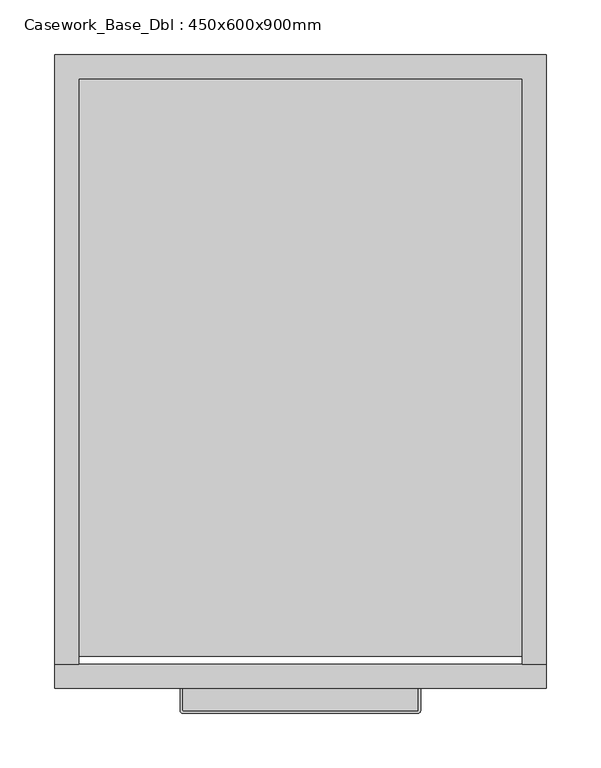
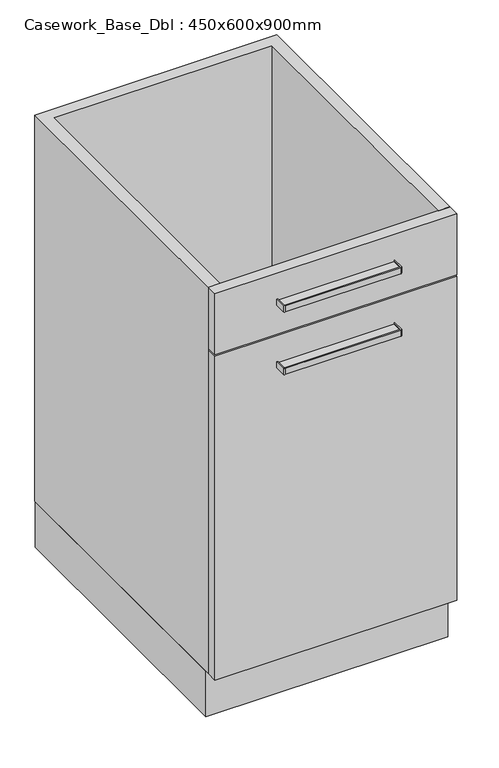
"""IFC4 building model written with IfcOpenShell, lengths in millimetres: furniture geometry, Casework_Base_Dbl : 450x600x900mm."""

from ifc_helpers import new_model, si_unit, point, frame, frame_2d, origin, origin_with_axes, place, context, project, spatial, polyline, circle_curve, trimmed, segment, composite_curve, outline, extrude, source, transform, mapped, element, save


def casework_base_dbl_450x600x900mm_e160b338(model_context):
    return source(origin(), model_context, "Body", "SweptSolid", [
        extrude(outline(composite_curve([segment(polyline([(-63.2996736, -580.0), (152.7003264, -580.0), (152.7003264, -600.5)]), True, "CONTINUOUS"), segment(trimmed(circle_curve(frame_2d((152.2003264, -600.5)), 0.5), [point((152.7003264, -600.5))], [point((152.2003264, -601.0))], False, "CARTESIAN"), True, "CONTINUOUS"), segment(polyline([(152.2003264, -601.0), (-62.7996736, -601.0)]), True, "CONTINUOUS"), segment(trimmed(circle_curve(frame_2d((-62.7996736, -600.5)), 0.5), [point((-62.7996736, -601.0))], [point((-63.2996736, -600.5))], False, "CARTESIAN"), True, "CONTINUOUS"), segment(polyline([(-63.2996736, -600.5), (-63.2996736, -580.0)]), True, "CONTINUOUS")], self_intersect=False)), frame((0.0, 0.0, 666.9451319), z_axis=(0.0, 0.0, 1.0), x_axis=(1.0, 0.0, 0.0)), (0.0, 0.0, 1.0), 6.4890959),
        extrude(outline(composite_curve([segment(polyline([(-65.2996736, -580.0), (-63.2996736, -580.0), (-63.2996736, -600.5)]), True, "CONTINUOUS"), segment(trimmed(circle_curve(frame_2d((-62.7996736, -600.5)), 0.5), [point((-63.2996736, -600.5))], [point((-62.7996736, -601.0))], True, "CARTESIAN"), True, "CONTINUOUS"), segment(polyline([(-62.7996736, -601.0), (152.2003264, -601.0)]), True, "CONTINUOUS"), segment(trimmed(circle_curve(frame_2d((152.2003264, -600.5)), 0.5), [point((152.2003264, -601.0))], [point((152.7003264, -600.5))], True, "CARTESIAN"), True, "CONTINUOUS"), segment(polyline([(152.7003264, -600.5), (152.7003264, -580.0), (154.7003264, -580.0), (154.7003264, -600.5)]), True, "CONTINUOUS"), segment(trimmed(circle_curve(frame_2d((152.2003264, -600.5)), 2.5), [point((154.7003264, -600.5))], [point((152.2003264, -603.0))], False, "CARTESIAN"), True, "CONTINUOUS"), segment(polyline([(152.2003264, -603.0), (-62.7996736, -603.0)]), True, "CONTINUOUS"), segment(trimmed(circle_curve(frame_2d((-62.7996736, -600.5)), 2.5), [point((-62.7996736, -603.0))], [point((-65.2996736, -600.5))], False, "CARTESIAN"), True, "CONTINUOUS"), segment(polyline([(-65.2996736, -600.5), (-65.2996736, -580.0)]), True, "CONTINUOUS")], self_intersect=False)), frame((0.0, 0.0, 664.1797428), z_axis=(0.0, 0.0, 1.0), x_axis=(1.0, 0.0, 0.0)), (0.0, 0.0, 1.0), 12.0),
        extrude(outline(composite_curve([segment(polyline([(-63.2996736, -580.0), (152.7003264, -580.0), (152.7003264, -600.5)]), True, "CONTINUOUS"), segment(trimmed(circle_curve(frame_2d((152.2003264, -600.5)), 0.5), [point((152.7003264, -600.5))], [point((152.2003264, -601.0))], False, "CARTESIAN"), True, "CONTINUOUS"), segment(polyline([(152.2003264, -601.0), (-62.7996736, -601.0)]), True, "CONTINUOUS"), segment(trimmed(circle_curve(frame_2d((-62.7996736, -600.5)), 0.5), [point((-62.7996736, -601.0))], [point((-63.2996736, -600.5))], False, "CARTESIAN"), True, "CONTINUOUS"), segment(polyline([(-63.2996736, -600.5), (-63.2996736, -580.0)]), True, "CONTINUOUS")], self_intersect=False)), frame((0.0, 0.0, 789.9451319), z_axis=(0.0, 0.0, 1.0), x_axis=(1.0, 0.0, 0.0)), (0.0, 0.0, 1.0), 6.4890959),
        extrude(outline(composite_curve([segment(polyline([(-65.2996736, -580.0), (-63.2996736, -580.0), (-63.2996736, -600.5)]), True, "CONTINUOUS"), segment(trimmed(circle_curve(frame_2d((-62.7996736, -600.5)), 0.5), [point((-63.2996736, -600.5))], [point((-62.7996736, -601.0))], True, "CARTESIAN"), True, "CONTINUOUS"), segment(polyline([(-62.7996736, -601.0), (152.2003264, -601.0)]), True, "CONTINUOUS"), segment(trimmed(circle_curve(frame_2d((152.2003264, -600.5)), 0.5), [point((152.2003264, -601.0))], [point((152.7003264, -600.5))], True, "CARTESIAN"), True, "CONTINUOUS"), segment(polyline([(152.7003264, -600.5), (152.7003264, -580.0), (154.7003264, -580.0), (154.7003264, -600.5)]), True, "CONTINUOUS"), segment(trimmed(circle_curve(frame_2d((152.2003264, -600.5)), 2.5), [point((154.7003264, -600.5))], [point((152.2003264, -603.0))], False, "CARTESIAN"), True, "CONTINUOUS"), segment(polyline([(152.2003264, -603.0), (-62.7996736, -603.0)]), True, "CONTINUOUS"), segment(trimmed(circle_curve(frame_2d((-62.7996736, -600.5)), 2.5), [point((-62.7996736, -603.0))], [point((-65.2996736, -600.5))], False, "CARTESIAN"), True, "CONTINUOUS"), segment(polyline([(-65.2996736, -600.5), (-65.2996736, -580.0)]), True, "CONTINUOUS")], self_intersect=False)), frame((0.0, 0.0, 787.1797428), z_axis=(0.0, 0.0, 1.0), x_axis=(1.0, 0.0, 0.0)), (0.0, 0.0, 1.0), 12.0),
        extrude(outline(polyline([(269.7003264, 0.0), (269.7003264, -558.0), (247.7003264, -558.0), (247.7003264, -22.0), (-158.2996736, -22.0), (-158.2996736, -558.0), (-180.2996736, -558.0), (-180.2996736, 0.0), (269.7003264, 0.0)])), frame((0.0, 0.0, 90.0), z_axis=(0.0, 0.0, 1.0), x_axis=(1.0, 0.0, 0.0)), (0.0, 0.0, 1.0), 760.0),
        extrude(outline(polyline([(269.7003264, -0.533703), (269.7003264, -550.533703), (-180.2996736, -550.533703), (-180.2996736, -0.533703), (269.7003264, -0.533703)])), origin_with_axes(), (0.0, 0.0, 1.0), 90.0),
        extrude(outline(polyline([(269.7003264, -580.0), (-180.2996736, -580.0), (-180.2996736, -558.0), (269.7003264, -558.0), (269.7003264, -580.0)])), frame((0.0, 0.0, 730.0), z_axis=(0.0, 0.0, 1.0), x_axis=(1.0, 0.0, 0.0)), (0.0, 0.0, 1.0), 120.0),
        extrude(outline(polyline([(269.7003264, -580.0), (-180.2996736, -580.0), (-180.2996736, -558.0), (269.7003264, -558.0), (269.7003264, -580.0)])), frame((0.0, 0.0, 90.0), z_axis=(0.0, 0.0, 1.0), x_axis=(1.0, 0.0, 0.0)), (0.0, 0.0, 1.0), 637.0),
    ])


if __name__ == "__main__":
    model = new_model("IFC4")
    model_context = context("Model", 3, world=origin())
    ifc_project = project(units=[si_unit("LENGTHUNIT", "METRE", prefix="MILLI")], contexts=[model_context])
    site = spatial("IfcSite", under=ifc_project)
    building = spatial("IfcBuilding", under=site)
    placement = place(None, origin())
    casework_base_dbl_450x600x900mm_shape = casework_base_dbl_450x600x900mm_e160b338(model_context)
    element("IfcFurniture", 1, ObjectType="Casework_Base_Dbl : 450x600x900mm", at=placement, inside=building, context=model_context, shape_type="MappedRepresentation", body=[
        mapped(casework_base_dbl_450x600x900mm_shape, transform((0.0, 0.0, 0.0), x_axis=(1.0, 0.0, 0.0), y_axis=(0.0, 1.0, 0.0), z_axis=(0.0, 0.0, 1.0))),
    ])
    save(model, "model.ifc")
